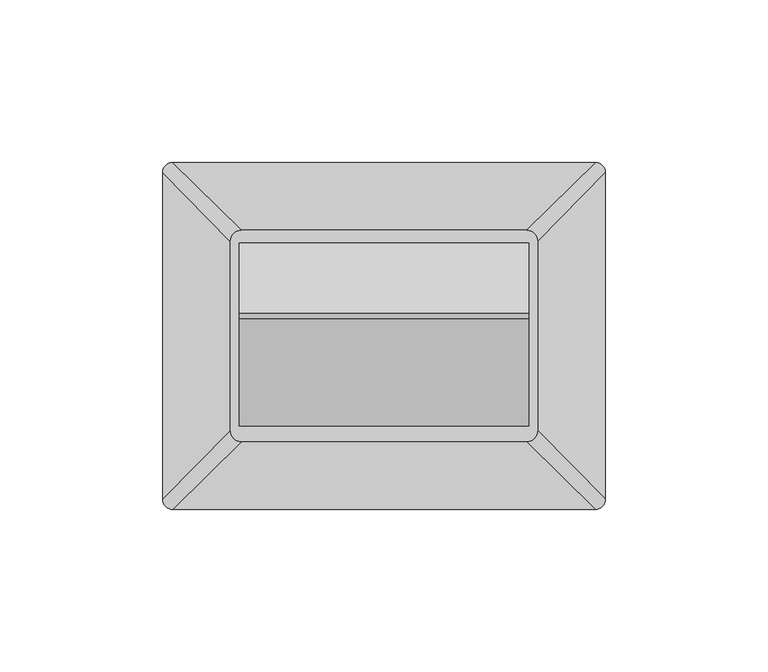
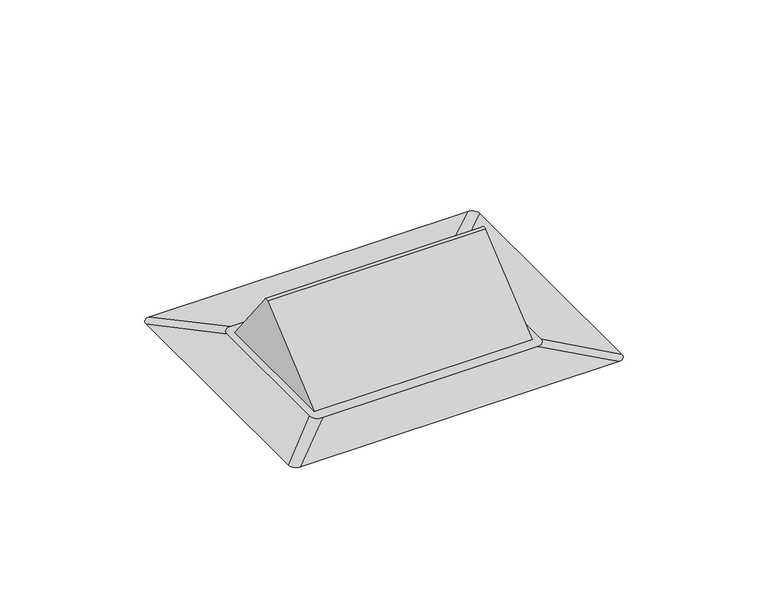
"""IFC4 building model written with IfcOpenShell, lengths in millimetres: furniture geometry."""

from ifc_helpers import new_model, si_unit, point, frame, frame_2d, origin, place, context, project, spatial, polyline, circle_curve, trimmed, segment, composite_curve, outline, extrude, source, transform, mapped, element, save
from ifc_brep_helpers import plane_surface, spline_surface, advanced_brep


def furniture_30efa028(model_context):
    return source(origin(), model_context, "Body", "SolidModel", [
        extrude(outline(composite_curve([segment(polyline([(-40.0510999, 752.5991905), (-18.5733088, 725.1088716), (-74.8670241, 725.1088716), (-41.8766817, 752.7910667)]), True, "CONTINUOUS"), segment(trimmed(circle_curve(frame_2d((-41.0565371, 751.8136569)), 1.2759182), [point((-41.8766817, 752.7910667))], [point((-40.0510999, 752.5991905))], False, "CARTESIAN"), True, "CONTINUOUS")], self_intersect=False)), frame((-44.4469554, 0.0, 0.0), z_axis=(1.0, 0.0, 0.0), x_axis=(0.0, 1.0, 0.0)), (0.0, 0.0, 1.0), 88.8939109),
        advanced_brep(
        [(43.8120098, -14.6219602, 725.1088716), (-43.8120263, -14.6219602, 725.1088716), (-47.2407847, -18.0507186, 725.1088716), (-47.2407847, -76.2351171, 725.1088716), (-43.8120235, -79.6638783, 725.1088716), (43.8120041, -79.6638783, 725.1088716), (47.2406984, -76.235184, 725.1088716), (47.2406984, -18.0506488, 725.1088716), (64.9306789, 6.2496242, 723.9), (68.1122805, 3.0680226, 723.9), (68.1122805, -97.3538588, 723.9), (64.9306789, -100.5354604, 723.9), (-64.9306789, -100.5354604, 723.9), (-68.1122805, -97.3538588, 723.9), (-68.1122805, 3.0680226, 723.9), (-64.9306789, 6.2496242, 723.9)],
        [
            (0, 1),
            (1, 2, circle_curve(frame((-43.8120263, -18.0507186, 725.1088716), z_axis=(0.0, 0.0, 1.0), x_axis=(-1.0, 0.0, 0.0)), 3.4287584)),
            (2, 3),
            (3, 4, circle_curve(frame((-43.8120235, -76.2351171, 725.1088716), z_axis=(0.0, 0.0, 1.0), x_axis=(-1.0, 0.0, 0.0)), 3.4287612)),
            (4, 5),
            (5, 6, circle_curve(frame((43.8120041, -76.235184, 725.1088716), z_axis=(0.0, 0.0, 1.0), x_axis=(-1.0, 0.0, 0.0)), 3.4286943)),
            (6, 7),
            (7, 0, circle_curve(frame((43.8120098, -18.0506488, 725.1088716), z_axis=(0.0, 0.0, 1.0), x_axis=(-1.0, 0.0, 0.0)), 3.4286886)),
            (8, 9, circle_curve(frame((64.9306789, 3.0680226, 723.9), z_axis=(0.0, 0.0, -1.0), x_axis=(-1.0, 0.0, 0.0)), 3.1816016)),
            (9, 10),
            (10, 11, circle_curve(frame((64.9306789, -97.3538588, 723.9), z_axis=(0.0, 0.0, -1.0), x_axis=(-1.0, 0.0, 0.0)), 3.1816016)),
            (11, 12),
            (12, 13, circle_curve(frame((-64.9306789, -97.3538588, 723.9), z_axis=(0.0, 0.0, -1.0), x_axis=(-1.0, 0.0, 0.0)), 3.1816016)),
            (13, 14),
            (14, 15, circle_curve(frame((-64.9306789, 3.0680226, 723.9), z_axis=(0.0, 0.0, -1.0), x_axis=(-1.0, 0.0, 0.0)), 3.1816016)),
            (15, 8),
            (15, 1),
            (0, 8),
            (14, 2),
            (13, 3),
            (12, 4),
            (11, 5),
            (10, 6),
            (9, 7),
        ],
        [
            plane_surface(frame((-2.61e-05, -47.1429182, 725.1088716), z_axis=(0.0, 0.0, 1.0), x_axis=(-1.0, 0.0, 0.0))),
            plane_surface(frame((0.0, -47.1429181, 723.9), z_axis=(0.0, 0.0, -1.0), x_axis=(-1.0, 0.0, 0.0))),
            plane_surface(frame((0.0, 6.2496242, 723.9), z_axis=(0.0, 0.05782258481749293, 0.9983268746683243), x_axis=(-1.0, 0.0, 0.0))),
            spline_surface(2, 1, [[(-64.9306789, 6.2496242, 723.9), (-43.8120263, -14.6219602, 725.1088716)], [(-68.1122805, 6.2496242, 723.9), (-47.2407847, -14.6219602, 725.1088716)], [(-68.1122805, 3.0680226, 723.9), (-47.2407847, -18.0507186, 725.1088716)]], [3, 3], [2, 2], [0.0, 1.0], [0.0, 1.0], weights=[[1.0, 1.0], [0.7071067811865476, 0.7071067811865476], [1.0, 1.0]]),
            plane_surface(frame((-68.1122805, -47.1429181, 723.9), z_axis=(-0.057822829362703596, 0.0, 0.9983268605043599), x_axis=(0.0, -1.0, 0.0))),
            spline_surface(2, 1, [[(-68.1122805, -97.3538588, 723.9), (-47.2407847, -76.2351171, 725.1088716)], [(-68.1122805, -100.53546039999999, 723.9), (-47.2407847, -79.6638783, 725.1088716)], [(-64.9306789, -100.5354604, 723.9), (-43.8120235, -79.6638783, 725.1088716)]], [3, 3], [2, 2], [0.0, 1.0], [0.0, 1.0], weights=[[1.0, 1.0], [0.7071067811865476, 0.7071067811865476], [1.0, 1.0]]),
            plane_surface(frame((0.0, -100.5354604, 723.9), z_axis=(0.0, -0.05782259108785695, 0.9983268743051479), x_axis=(1.0, 0.0, 0.0))),
            spline_surface(2, 1, [[(64.9306789, -100.5354604, 723.9), (43.8120041, -79.6638783, 725.1088716)], [(68.11228050000001, -100.5354604, 723.9), (47.24069839999999, -79.6638783, 725.1088716)], [(68.1122805, -97.3538588, 723.9), (47.2406984, -76.235184, 725.1088716)]], [3, 3], [2, 2], [0.0, 1.0], [0.0, 1.0], weights=[[1.0, 1.0], [0.7071067811865482, 0.7071067811865482], [1.0, 1.0]]),
            plane_surface(frame((68.1122805, -47.1429181, 723.9), z_axis=(0.057822591087864236, 0.0, 0.9983268743051474), x_axis=(0.0, 1.0, 0.0))),
            spline_surface(2, 1, [[(68.1122805, 3.0680226, 723.9), (47.2406984, -18.0506488, 725.1088716)], [(68.1122805, 6.249624199999993, 723.9), (47.2406984, -14.6219602, 725.1088716)], [(64.9306789, 6.2496242, 723.9), (43.8120098, -14.6219602, 725.1088716)]], [3, 3], [2, 2], [0.0, 1.0], [0.0, 1.0], weights=[[1.0, 1.0], [0.7071067811865476, 0.7071067811865476], [1.0, 1.0]]),
        ],
        [
            (0, [[1, 2, 3, 4, 5, 6, 7, 8]]),
            (1, [[9, 10, 11, 12, 13, 14, 15, 16]]),
            (2, [[-16, 17, -1, 18]]),
            (3, [[-15, 19, -2, -17]]),
            (4, [[-14, 20, -3, -19]]),
            (5, [[-13, 21, -4, -20]]),
            (6, [[-12, 22, -5, -21]]),
            (7, [[-11, 23, -6, -22]]),
            (8, [[-10, 24, -7, -23]]),
            (9, [[-9, -18, -8, -24]]),
        ],
    ),
    ])


if __name__ == "__main__":
    model = new_model("IFC4")
    model_context = context("Model", 3, world=origin())
    ifc_project = project(units=[si_unit("LENGTHUNIT", "METRE", prefix="MILLI")], contexts=[model_context])
    site = spatial("IfcSite", under=ifc_project)
    building = spatial("IfcBuilding", under=site)
    placement = place(None, origin())
    furniture_shape = furniture_30efa028(model_context)
    element("IfcFurniture", 1, at=placement, inside=building, context=model_context, shape_type="MappedRepresentation", body=[
        mapped(furniture_shape, transform((0.0, 0.0, 0.0), x_axis=(1.0, 0.0, 0.0), y_axis=(0.0, 1.0, 0.0), z_axis=(0.0, 0.0, 1.0))),
    ])
    save(model, "model.ifc")
